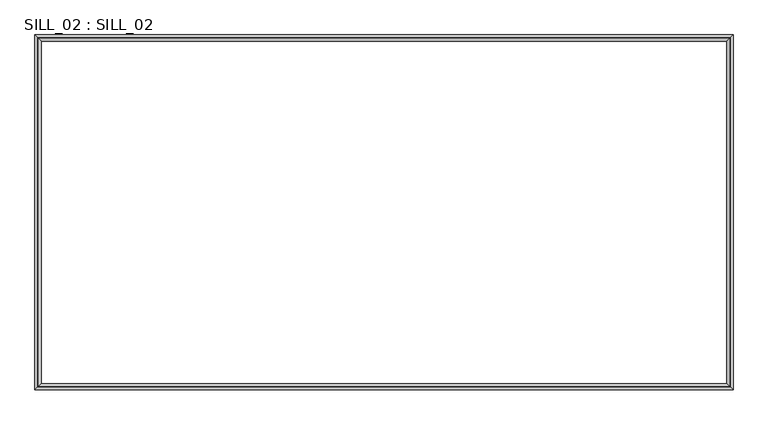
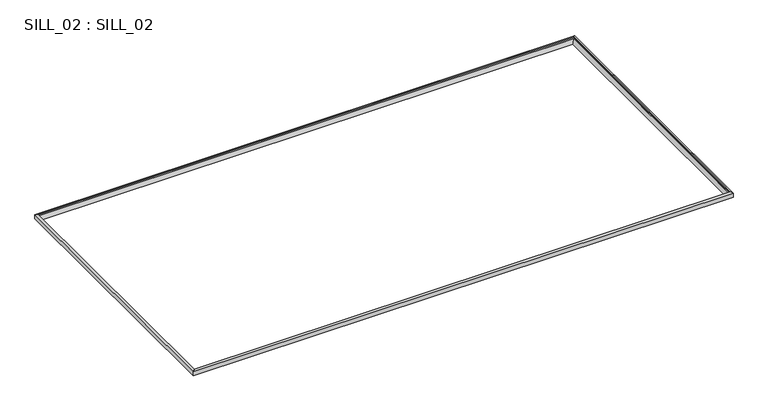
"""IFC4 building model written with IfcOpenShell, lengths in millimetres: proxy geometry, SILL_02 : SILL_02."""

from ifc_helpers import new_model, si_unit, origin, place, context, project, spatial, faceted_brep, source, transform, mapped, element, save


def sill_02_sill_02_fa2a878e(model_context):
    return source(origin(), model_context, "Body", "Brep", [
        faceted_brep([(13458.1954741, -8200.8976084, 898.0638105), (13411.5234653, -8247.5696172, 817.2255199), (13411.5234653, -14328.2903696, 817.2255199), (13458.1954741, -14374.9623785, 898.0638105), (13520.7530333, -8138.3400492, 817.2255199), (13520.7530333, -8138.3400492, 914.3670813), (13520.7530333, -14437.5199376, 914.3670813), (13520.7530333, -14437.5199376, 817.2255199), (1234.8206125, -14328.2903696, 817.2255199), (1188.1486036, -14374.9623785, 898.0638105), (1125.5910445, -14437.5199376, 914.3670813), (1125.5910445, -14437.5199376, 817.2255199), (1234.8206125, -8247.5696172, 817.2255199), (1188.1486036, -8200.8976084, 898.0638105), (1125.5910445, -8138.3400492, 914.3670813), (1125.5910445, -8138.3400492, 817.2255199), (13485.6917807, -8173.4013018, 882.1888105), (13485.6917807, -14402.4586851, 882.1888105), (13502.0874807, -8157.0056018, 910.5869959), (13502.0874807, -14418.8543851, 910.5869959), (13480.8943873, -8178.1986952, 937.3794813), (13480.8943873, -14397.6612916, 937.3794813), (1160.6522971, -14402.4586851, 882.1888105), (1144.2565971, -14418.8543851, 910.5869959), (1165.4496905, -14397.6612916, 937.3794813), (1160.6522971, -8173.4013018, 882.1888105), (1144.2565971, -8157.0056018, 910.5869959), (1165.4496905, -8178.1986952, 937.3794813), (13474.5911741, -8184.5019084, 926.4619959), (13474.5911741, -14391.3580785, 926.4619959), (1171.7529036, -14391.3580785, 926.4619959), (1171.7529036, -8184.5019084, 926.4619959)], [[[0, 1, 2, 3]], [[4, 5, 6, 7]], [[3, 2, 8, 9]], [[7, 6, 10, 11]], [[9, 8, 12, 13]], [[11, 10, 14, 15]], [[7, 11, 15, 4], [1, 12, 8, 2]], [[13, 12, 1, 0]], [[15, 14, 5, 4]], [[16, 0, 3, 17]], [[18, 16, 17, 19]], [[5, 20, 21, 6]], [[17, 3, 9, 22]], [[19, 17, 22, 23]], [[6, 21, 24, 10]], [[22, 9, 13, 25]], [[23, 22, 25, 26]], [[10, 24, 27, 14]], [[25, 13, 0, 16]], [[26, 25, 16, 18]], [[14, 27, 20, 5]], [[28, 18, 19, 29]], [[20, 28, 29, 21]], [[29, 19, 23, 30]], [[21, 29, 30, 24]], [[30, 23, 26, 31]], [[24, 30, 31, 27]], [[31, 26, 18, 28]], [[27, 31, 28, 20]]]),
    ])


if __name__ == "__main__":
    model = new_model("IFC4")
    model_context = context("Model", 3, world=origin())
    ifc_project = project(units=[si_unit("LENGTHUNIT", "METRE", prefix="MILLI")], contexts=[model_context])
    site = spatial("IfcSite", under=ifc_project)
    building = spatial("IfcBuilding", under=site)
    placement = place(None, origin())
    sill_02_sill_02_shape = sill_02_sill_02_fa2a878e(model_context)
    element("IfcBuildingElementProxy", 1, Name="SILL_02 : SILL_02", ObjectType="SILL_02 : SILL_02", at=placement, inside=building, context=model_context, shape_type="MappedRepresentation", body=[
        mapped(sill_02_sill_02_shape, transform((0.0, 0.0, 0.0), x_axis=(1.0, 0.0, 0.0), y_axis=(0.0, 1.0, 0.0), z_axis=(0.0, 0.0, 1.0))),
    ])
    save(model, "model.ifc")
